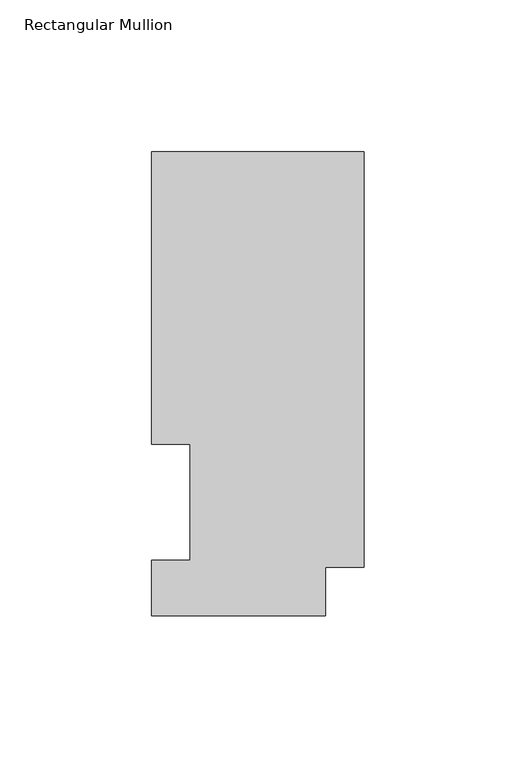
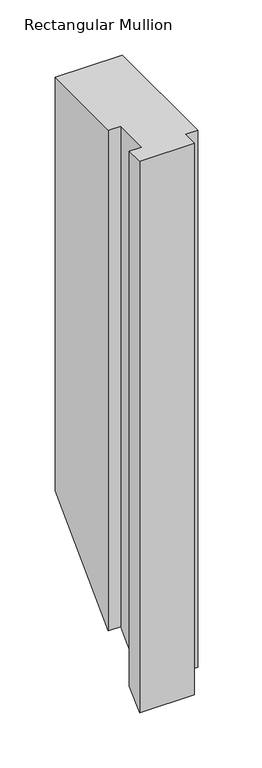
"""IFC4 building model written with IfcOpenShell, lengths in millimetres: member geometry, Rectangular Mullion."""

from ifc_helpers import new_model, si_unit, origin, place, context, project, spatial, faceted_brep, source, transform, mapped, element, save


def rectangular_mullion_1ee83d85(model_context):
    return source(origin(), model_context, "Body", "Brep", [
        faceted_brep([(-69.9516, 152.6475062, 0.0), (-69.9516, 56.35625, 0.0), (-57.2516, 56.35625, 0.0), (-57.2516, 18.25625, 0.0), (-69.9516, 18.25625, 0.0), (-69.9516, -0.03175, 0.0), (-12.8016, -0.03175, 0.0), (-12.8016, 15.86865, 0.0), (0.0, 15.86865, 0.0), (0.0, 152.6475062, 0.0), (-69.9516, 152.6475062, -456.9524938), (-69.9516, 56.35625, -553.24375), (-57.2516, 56.35625, -553.24375), (-57.2516, 18.25625, -591.34375), (-69.9516, 18.25625, -591.34375), (-69.9516, -0.03175, -609.63175), (-12.8016, -0.03175, -609.63175), (-12.8016, 15.86865, -593.73135), (0.0, 15.86865, -593.73135), (0.0, 152.6475062, -456.9524938)], [[[0, 1, 2, 3, 4, 5, 6, 7, 8, 9]], [[1, 0, 10, 11]], [[2, 1, 11, 12]], [[3, 2, 12, 13]], [[4, 3, 13, 14]], [[5, 4, 14, 15]], [[6, 5, 15, 16]], [[7, 6, 16, 17]], [[8, 7, 17, 18]], [[9, 8, 18, 19]], [[0, 9, 19, 10]], [[10, 19, 18, 17, 16, 15, 14, 13, 12, 11]]]),
    ])


if __name__ == "__main__":
    model = new_model("IFC4")
    model_context = context("Model", 3, world=origin())
    ifc_project = project(units=[si_unit("LENGTHUNIT", "METRE", prefix="MILLI")], contexts=[model_context])
    site = spatial("IfcSite", under=ifc_project)
    building = spatial("IfcBuilding", under=site)
    placement = place(None, origin())
    rectangular_mullion_shape = rectangular_mullion_1ee83d85(model_context)
    element("IfcMember", 1, ObjectType="Rectangular Mullion", at=placement, inside=building, context=model_context, shape_type="MappedRepresentation", body=[
        mapped(rectangular_mullion_shape, transform((0.0, 0.0, 0.0), x_axis=(1.0, 0.0, 0.0), y_axis=(0.0, 1.0, 0.0), z_axis=(0.0, 0.0, 1.0))),
    ])
    save(model, "model.ifc")
